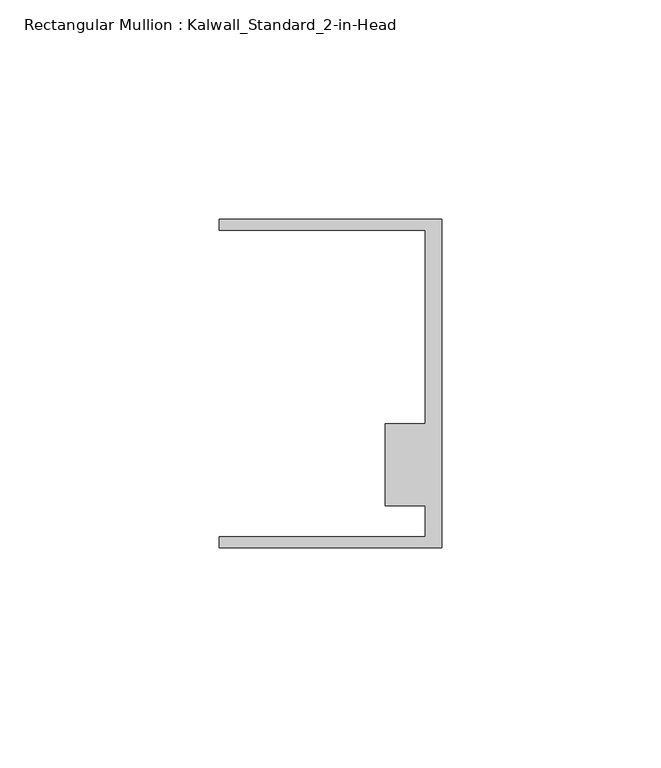
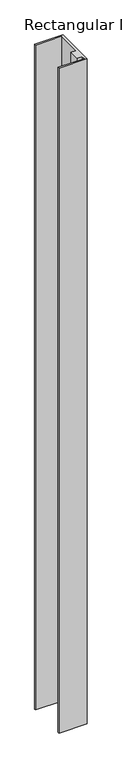
"""IFC4 building model written with IfcOpenShell, lengths in millimetres: member geometry, Rectangular Mullion : Kalwall_Standard_2-in-Head."""

from ifc_helpers import new_model, si_unit, frame, origin, place, context, project, spatial, polyline, outline, extrude, source, transform, mapped, element, save


def rectangular_mullion_kalwall_standard_2_in_head_3a5c09ec(model_context):
    return source(origin(), model_context, "Body", "SweptSolid", [
        extrude(outline(polyline([(0.0, -37.5776386), (-50.8, -37.5776386), (-50.8, -35.0376386), (-3.7084, -35.0376386), (-3.7084, -27.8888568), (-12.8272539, -27.8888568), (-12.8272539, -9.1879886), (-3.7084, -9.1879886), (-3.7084, 34.9623614), (-50.8, 34.9623614), (-50.8, 37.5023614), (0.0, 37.5023614), (0.0, -37.5776386)])), frame((0.0, 0.0, -1260.702), z_axis=(0.0, 0.0, 1.0), x_axis=(1.0, 0.0, 0.0)), (0.0, 0.0, 1.0), 1260.702),
    ])


if __name__ == "__main__":
    model = new_model("IFC4")
    model_context = context("Model", 3, world=origin())
    ifc_project = project(units=[si_unit("LENGTHUNIT", "METRE", prefix="MILLI")], contexts=[model_context])
    site = spatial("IfcSite", under=ifc_project)
    building = spatial("IfcBuilding", under=site)
    placement = place(None, origin())
    rectangular_mullion_kalwall_standard_2_in_head_shape = rectangular_mullion_kalwall_standard_2_in_head_3a5c09ec(model_context)
    element("IfcMember", 1, ObjectType="Rectangular Mullion : Kalwall_Standard_2-in-Head", at=placement, inside=building, context=model_context, shape_type="MappedRepresentation", body=[
        mapped(rectangular_mullion_kalwall_standard_2_in_head_shape, transform((0.0, 0.0, 0.0), x_axis=(1.0, 0.0, 0.0), y_axis=(0.0, 1.0, 0.0), z_axis=(0.0, 0.0, 1.0))),
    ])
    save(model, "model.ifc")
